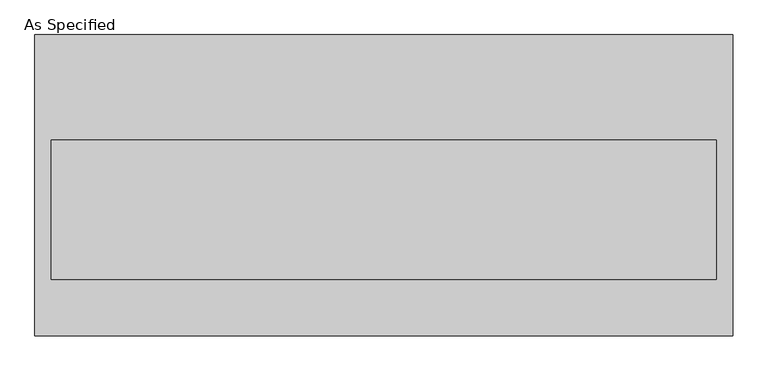
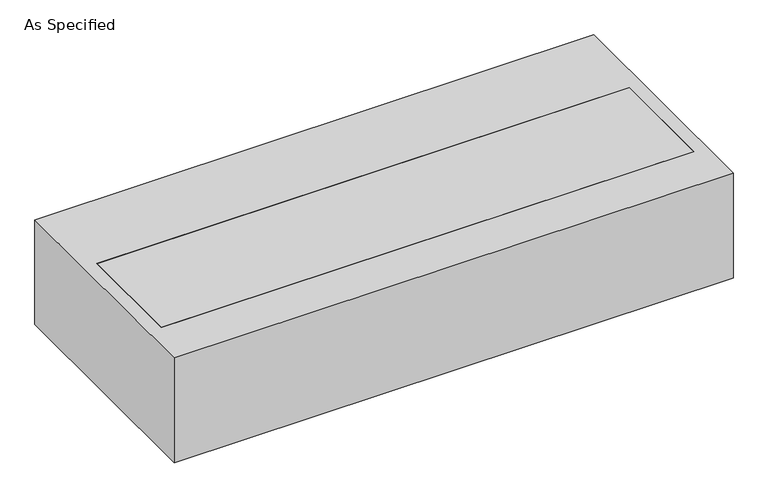
"""IFC4 building model written with IfcOpenShell, lengths in millimetres: proxy geometry, As Specified."""

from ifc_helpers import new_model, si_unit, frame, origin, place, context, project, spatial, polyline, outline, extrude, source, transform, mapped, element, save


def as_specified_5c5d2b9e(model_context):
    return source(origin(), model_context, "Body", "SweptSolid", [
        extrude(outline(polyline([(-1273.175, -549.275), (-1273.175, 549.275), (1273.175, 549.275), (1273.175, -549.275), (-1273.175, -549.275)]), holes=[polyline([(1212.85, 165.1), (-1212.85, 165.1), (-1212.85, -342.9), (1212.85, -342.9), (1212.85, 165.1)])]), frame((0.0, 0.0, -530.225), z_axis=(0.0, 0.0, 1.0), x_axis=(1.0, 0.0, 0.0)), (0.0, 0.0, 1.0), 504.825),
        extrude(outline(polyline([(1212.85, 165.1), (1212.85, -342.9), (-1212.85, -342.9), (-1212.85, 165.1), (1212.85, 165.1)])), frame((0.0, 0.0, -530.225), z_axis=(0.0, 0.0, 1.0), x_axis=(1.0, 0.0, 0.0)), (0.0, 0.0, 1.0), 504.825),
    ])


if __name__ == "__main__":
    model = new_model("IFC4")
    model_context = context("Model", 3, world=origin())
    ifc_project = project(units=[si_unit("LENGTHUNIT", "METRE", prefix="MILLI")], contexts=[model_context])
    site = spatial("IfcSite", under=ifc_project)
    building = spatial("IfcBuilding", under=site)
    placement = place(None, origin())
    as_specified_shape = as_specified_5c5d2b9e(model_context)
    element("IfcBuildingElementProxy", 1, Name="As Specified", ObjectType="As Specified", at=placement, inside=building, context=model_context, shape_type="MappedRepresentation", body=[
        mapped(as_specified_shape, transform((0.0, 0.0, 0.0), x_axis=(1.0, 0.0, 0.0), y_axis=(0.0, 1.0, 0.0), z_axis=(0.0, 0.0, 1.0))),
    ])
    save(model, "model.ifc")
